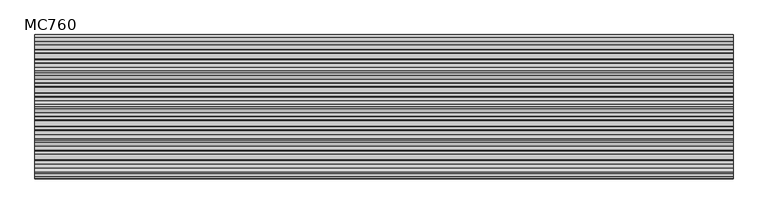
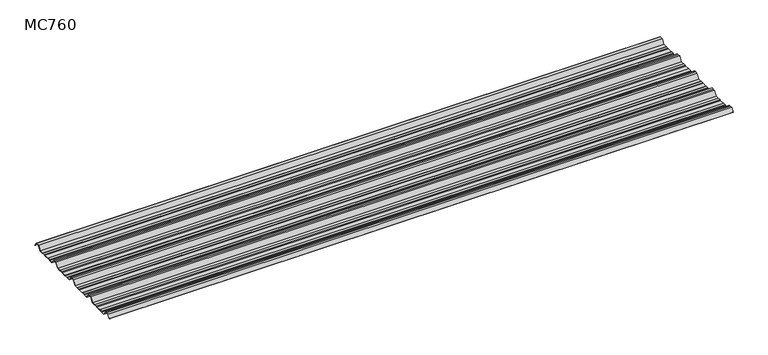
"""IFC4 building model written with IfcOpenShell, lengths in millimetres: beam geometry, MC760."""

from ifc_helpers import new_model, si_unit, point, frame, frame_2d, origin, place, context, project, spatial, polyline, circle_curve, trimmed, segment, composite_curve, outline, extrude, source, transform, mapped, element, save


def mc760_dc95daff(model_context):
    return source(origin(), model_context, "Body", "SweptSolid", [
        extrude(outline(composite_curve([segment(polyline([(-157.5000859, -25.7896475), (-178.0745114, 2.2103525), (-190.0, 2.2103525), (-201.9254886, 2.2103525), (-222.4999141, -25.7896475), (-245.1975582, -25.7896475), (-248.4126024, -23.7494212), (-264.8405937, -23.7494212), (-269.2209114, -25.7896475), (-300.7790886, -25.7896475), (-305.1594063, -23.7494212), (-321.5873976, -23.7494212), (-324.8024418, -25.7896475), (-347.5000859, -25.7896475), (-368.0745114, 2.2103525), (-380.0, 2.2103525), (-391.9254886, 2.2103525), (-412.4999141, -25.7896475), (-435.1975582, -25.7896475), (-438.4126024, -23.7494212), (-454.8405937, -23.7494212), (-459.2209114, -25.7896475), (-490.7790886, -25.7896475), (-495.1594063, -23.7494212), (-511.5873976, -23.7494212), (-514.8024418, -25.7896475), (-537.5000859, -25.7896475), (-558.0745114, 2.2103525), (-570.0, 2.2103525), (-581.9254886, 2.2103525), (-602.4999141, -25.7896475), (-625.1975582, -25.7896475), (-628.4126024, -23.7494212), (-644.8405937, -23.7494212), (-649.2209114, -25.7896475), (-680.7790886, -25.7896475), (-685.1594063, -23.7494212), (-701.5873976, -23.7494212), (-704.8024418, -25.7896475), (-727.5000859, -25.7896475), (-748.0745114, 2.2103525), (-760.0, 2.2103525), (-771.9254886, 2.2103525), (-787.4770979, -18.9540324)]), True, "CONTINUOUS"), segment(trimmed(circle_curve(frame_2d((-787.9022179, -18.6416538)), 0.5275485), [point((-787.4770979, -18.9540324))], [point((-788.327338, -18.3292752))], False, "CARTESIAN"), True, "CONTINUOUS"), segment(polyline([(-788.327338, -18.3292752), (-772.5, 3.2103525), (-760.0, 3.2103525), (-747.5, 3.2103525), (-726.9255746, -24.7896475), (-705.0929563, -24.7896475), (-701.8779121, -22.7494212), (-684.9379428, -22.7494212), (-680.5576251, -24.7896475), (-649.4423749, -24.7896475), (-645.0620572, -22.7494212), (-628.1220879, -22.7494212), (-624.9070437, -24.7896475), (-603.0744254, -24.7896475), (-582.5, 3.2103525), (-570.0, 3.2103525), (-557.5, 3.2103525), (-536.9255746, -24.7896475), (-515.0929563, -24.7896475), (-511.8779121, -22.7494212), (-494.9379428, -22.7494212), (-490.5576251, -24.7896475), (-459.4423749, -24.7896475), (-455.0620572, -22.7494212), (-438.1220879, -22.7494212), (-434.9070437, -24.7896475), (-413.0744254, -24.7896475), (-392.5, 3.2103525), (-380.0, 3.2103525), (-367.5, 3.2103525), (-346.9255746, -24.7896475), (-325.0929563, -24.7896475), (-321.8779121, -22.7494212), (-304.9379428, -22.7494212), (-300.5576251, -24.7896475), (-269.4423749, -24.7896475), (-265.0620572, -22.7494212), (-248.1220879, -22.7494212), (-244.9070437, -24.7896475), (-223.0744254, -24.7896475), (-202.5, 3.2103525), (-190.0, 3.2103525), (-177.5, 3.2103525), (-156.9255746, -24.7896475), (-135.0929563, -24.7896475), (-131.8779121, -22.7494212), (-114.9379428, -22.7494212), (-110.5576251, -24.7896475), (-79.4423749, -24.7896475), (-75.0620572, -22.7494212), (-58.1220879, -22.7494212), (-54.9070437, -24.7896475), (-30.524173, -24.7896475), (-11.4193494, 1.2103525), (11.4193494, 1.2103525), (27.9327415, -21.262935)]), True, "CONTINUOUS"), segment(trimmed(circle_curve(frame_2d((27.5298212, -21.5590012)), 0.5), [point((27.9327415, -21.262935))], [point((27.1269009, -21.8550675))], False, "CARTESIAN"), True, "CONTINUOUS"), segment(polyline([(27.1269009, -21.8550675), (10.9132102, 0.2103525), (-10.9132102, 0.2103525), (-30.0180338, -25.7896475), (-55.1975582, -25.7896475), (-58.4126024, -23.7494212), (-74.8405937, -23.7494212), (-79.2209114, -25.7896475), (-110.7790886, -25.7896475), (-115.1594063, -23.7494212), (-131.5873976, -23.7494212), (-134.8024418, -25.7896475), (-157.5000859, -25.7896475)]), True, "CONTINUOUS")], self_intersect=False)), frame((-1972.8836088, 0.0, 0.0), z_axis=(1.0, 0.0, 0.0), x_axis=(0.0, 1.0, 0.0)), (0.0, 0.0, 1.0), 3945.7672176),
    ])


if __name__ == "__main__":
    model = new_model("IFC4")
    model_context = context("Model", 3, world=origin())
    ifc_project = project(units=[si_unit("LENGTHUNIT", "METRE", prefix="MILLI")], contexts=[model_context])
    site = spatial("IfcSite", under=ifc_project)
    building = spatial("IfcBuilding", under=site)
    placement = place(None, origin())
    mc760_shape = mc760_dc95daff(model_context)
    element("IfcBeam", 1, ObjectType="MC760", at=placement, inside=building, context=model_context, shape_type="MappedRepresentation", body=[
        mapped(mc760_shape, transform((0.0, 0.0, 0.0), x_axis=(1.0, 0.0, 0.0), y_axis=(0.0, 1.0, 0.0), z_axis=(0.0, 0.0, 1.0))),
    ])
    save(model, "model.ifc")
